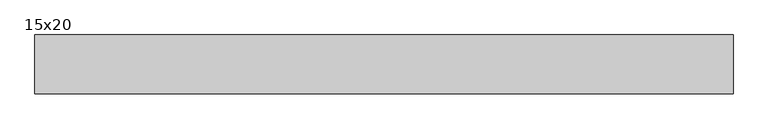
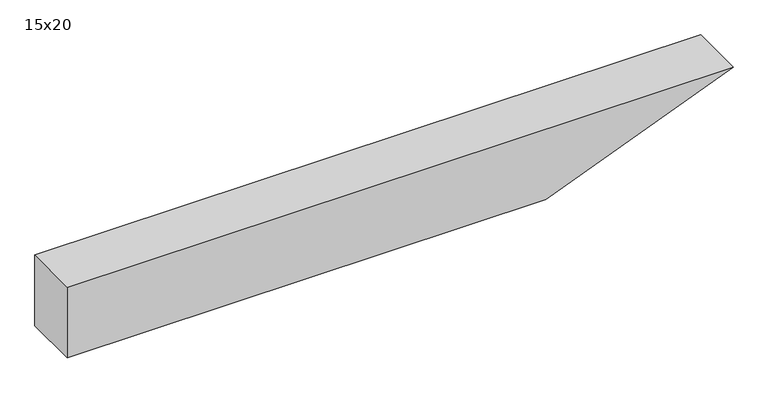
"""IFC4 building model written with IfcOpenShell, lengths in millimetres: beam geometry, 15x20."""

from ifc_helpers import new_model, si_unit, frame, origin, place, context, project, spatial, polyline, outline, extrude, source, transform, mapped, element, save


def beam_15x20_a4d0ea75(model_context):
    return source(origin(), model_context, "Body", "SweptSolid", [
        extrude(outline(polyline([(100.0, -916.5), (-100.0, -916.5), (-100.0, 364.3), (100.0, 866.5), (100.0, -916.5)])), frame((0.0, -75.0, 0.0), z_axis=(0.0, 1.0, 0.0), x_axis=(0.0, 0.0, 1.0)), (0.0, 0.0, 1.0), 150.0),
    ])


if __name__ == "__main__":
    model = new_model("IFC4")
    model_context = context("Model", 3, world=origin())
    ifc_project = project(units=[si_unit("LENGTHUNIT", "METRE", prefix="MILLI")], contexts=[model_context])
    site = spatial("IfcSite", under=ifc_project)
    building = spatial("IfcBuilding", under=site)
    placement = place(None, origin())
    beam_15x20_shape = beam_15x20_a4d0ea75(model_context)
    element("IfcBeam", 1, ObjectType="15x20", at=placement, inside=building, context=model_context, shape_type="MappedRepresentation", body=[
        mapped(beam_15x20_shape, transform((0.0, 0.0, 0.0), x_axis=(1.0, 0.0, 0.0), y_axis=(0.0, 1.0, 0.0), z_axis=(0.0, 0.0, 1.0))),
    ])
    save(model, "model.ifc")
